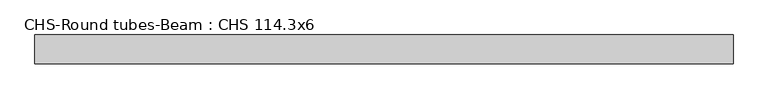
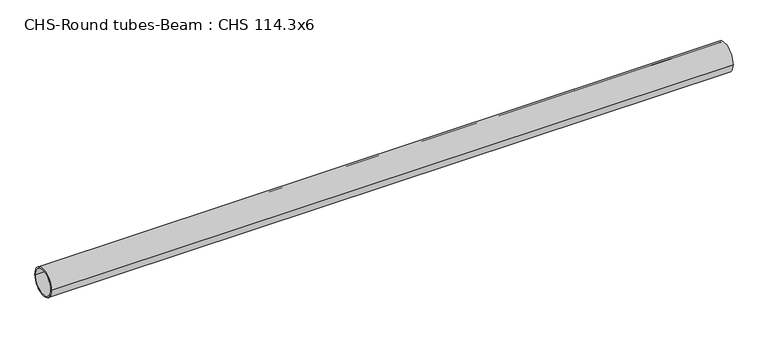
"""IFC4 building model written with IfcOpenShell, lengths in millimetres: beam geometry, CHS-Round tubes-Beam : CHS 114.3x6."""

from ifc_helpers import new_model, si_unit, point, frame, origin, origin_2d, place, context, project, spatial, circle_curve, trimmed, segment, composite_curve, outline, extrude, source, transform, mapped, element, save


def chs_round_tubes_beam_chs_114_3x6_951169b2(model_context):
    return source(origin(), model_context, "Body", "SweptSolid", [
        extrude(outline(composite_curve([segment(trimmed(circle_curve(origin_2d(), 57.15), [point((57.15, 0.0))], [point((-57.15, 0.0))], False, "CARTESIAN"), True, "CONTINUOUS"), segment(trimmed(circle_curve(origin_2d(), 57.15), [point((-57.15, 0.0))], [point((57.15, 0.0))], False, "CARTESIAN"), True, "CONTINUOUS")], self_intersect=False), holes=[composite_curve([segment(trimmed(circle_curve(origin_2d(), 51.15), [point((51.15, 0.0))], [point((-51.15, 0.0))], True, "CARTESIAN"), True, "CONTINUOUS"), segment(trimmed(circle_curve(origin_2d(), 51.15), [point((-51.15, 0.0))], [point((51.15, 0.0))], True, "CARTESIAN"), True, "CONTINUOUS")], self_intersect=False)]), frame((-1376.4701965, 0.0, 0.0), z_axis=(1.0, 0.0, 0.0), x_axis=(0.0, 1.0, 0.0)), (0.0, 0.0, 1.0), 2754.8298667),
    ])


if __name__ == "__main__":
    model = new_model("IFC4")
    model_context = context("Model", 3, world=origin())
    ifc_project = project(units=[si_unit("LENGTHUNIT", "METRE", prefix="MILLI")], contexts=[model_context])
    site = spatial("IfcSite", under=ifc_project)
    building = spatial("IfcBuilding", under=site)
    placement = place(None, origin())
    chs_round_tubes_beam_chs_114_3x6_shape = chs_round_tubes_beam_chs_114_3x6_951169b2(model_context)
    element("IfcBeam", 1, ObjectType="CHS-Round tubes-Beam : CHS 114.3x6", at=placement, inside=building, context=model_context, shape_type="MappedRepresentation", body=[
        mapped(chs_round_tubes_beam_chs_114_3x6_shape, transform((0.0, 0.0, 0.0), x_axis=(1.0, 0.0, 0.0), y_axis=(0.0, 1.0, 0.0), z_axis=(0.0, 0.0, 1.0))),
    ])
    save(model, "model.ifc")
